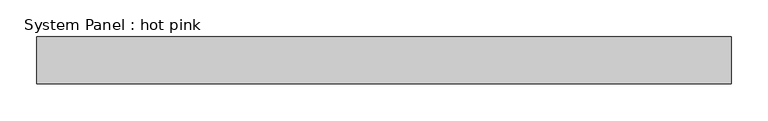
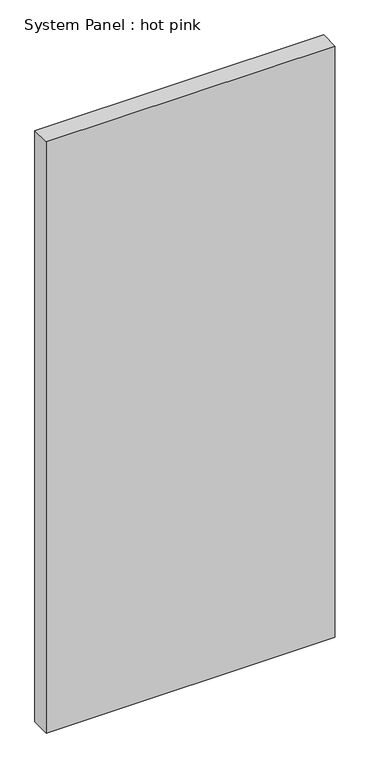
"""IFC4 building model written with IfcOpenShell, lengths in millimetres: plate geometry, System Panel : hot pink."""

from ifc_helpers import new_model, si_unit, origin, origin_with_axes, place, context, project, spatial, polyline, outline, extrude, source, transform, mapped, element, save


def system_panel_hot_pink_2d833a36(model_context):
    return source(origin(), model_context, "Body", "SweptSolid", [
        extrude(outline(polyline([(470.67292, -44.45), (-470.67292, -44.45), (-470.67292, 19.05), (470.67292, 19.05), (470.67292, -44.45)])), origin_with_axes(), (0.0, 0.0, 1.0), 2038.35),
    ])


if __name__ == "__main__":
    model = new_model("IFC4")
    model_context = context("Model", 3, world=origin())
    ifc_project = project(units=[si_unit("LENGTHUNIT", "METRE", prefix="MILLI")], contexts=[model_context])
    site = spatial("IfcSite", under=ifc_project)
    building = spatial("IfcBuilding", under=site)
    placement = place(None, origin())
    system_panel_hot_pink_shape = system_panel_hot_pink_2d833a36(model_context)
    element("IfcPlate", 1, ObjectType="System Panel : hot pink", at=placement, inside=building, context=model_context, shape_type="MappedRepresentation", body=[
        mapped(system_panel_hot_pink_shape, transform((0.0, 0.0, 0.0), x_axis=(1.0, 0.0, 0.0), y_axis=(0.0, 1.0, 0.0), z_axis=(0.0, 0.0, 1.0))),
    ])
    save(model, "model.ifc")
